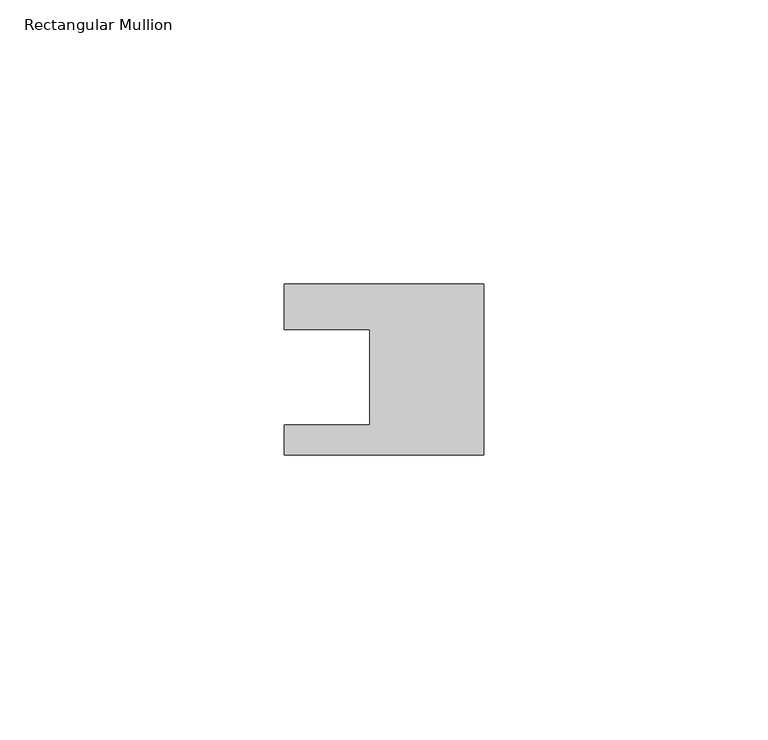
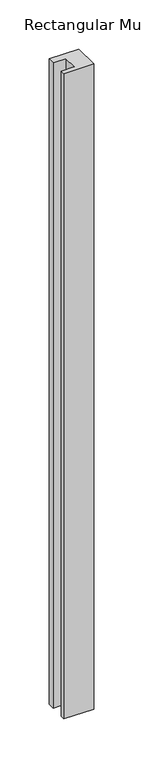
"""IFC4 building model written with IfcOpenShell, lengths in millimetres: member geometry, Rectangular Mullion."""

from ifc_helpers import new_model, si_unit, frame, origin, place, context, project, spatial, polyline, outline, extrude, source, transform, mapped, element, save


def rectangular_mullion_c83601a2(model_context):
    return source(origin(), model_context, "Body", "SweptSolid", [
        extrude(outline(polyline([(0.0, 7.94), (0.0, -22.06), (-35.0, -22.06), (-35.0, -16.8), (-20.0, -16.8), (-20.0, 0.001), (-35.0, 0.001), (-35.0, 7.94), (0.0, 7.94)])), frame((0.0, 0.0, -802.0), z_axis=(0.0, 0.0, 1.0), x_axis=(1.0, 0.0, 0.0)), (0.0, 0.0, 1.0), 802.0),
    ])


if __name__ == "__main__":
    model = new_model("IFC4")
    model_context = context("Model", 3, world=origin())
    ifc_project = project(units=[si_unit("LENGTHUNIT", "METRE", prefix="MILLI")], contexts=[model_context])
    site = spatial("IfcSite", under=ifc_project)
    building = spatial("IfcBuilding", under=site)
    placement = place(None, origin())
    rectangular_mullion_shape = rectangular_mullion_c83601a2(model_context)
    element("IfcMember", 1, ObjectType="Rectangular Mullion", at=placement, inside=building, context=model_context, shape_type="MappedRepresentation", body=[
        mapped(rectangular_mullion_shape, transform((0.0, 0.0, 0.0), x_axis=(1.0, 0.0, 0.0), y_axis=(0.0, 1.0, 0.0), z_axis=(0.0, 0.0, 1.0))),
    ])
    save(model, "model.ifc")
